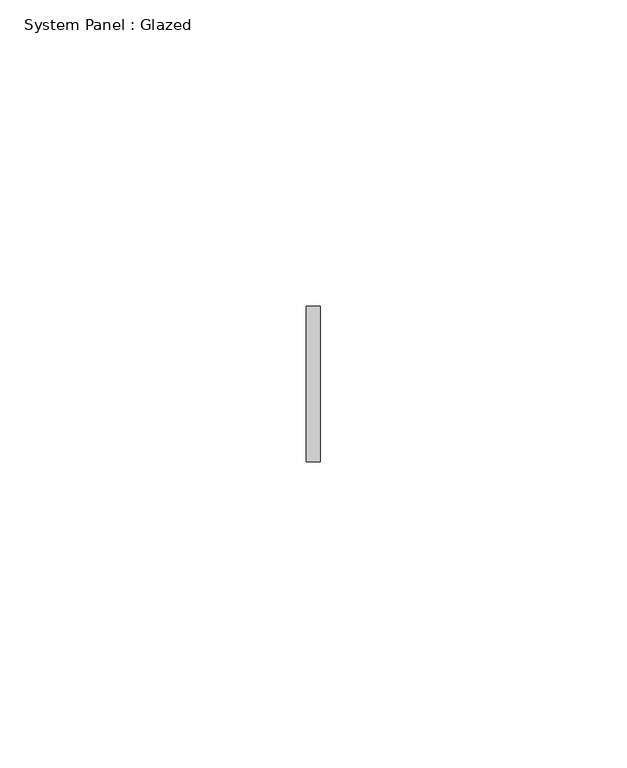
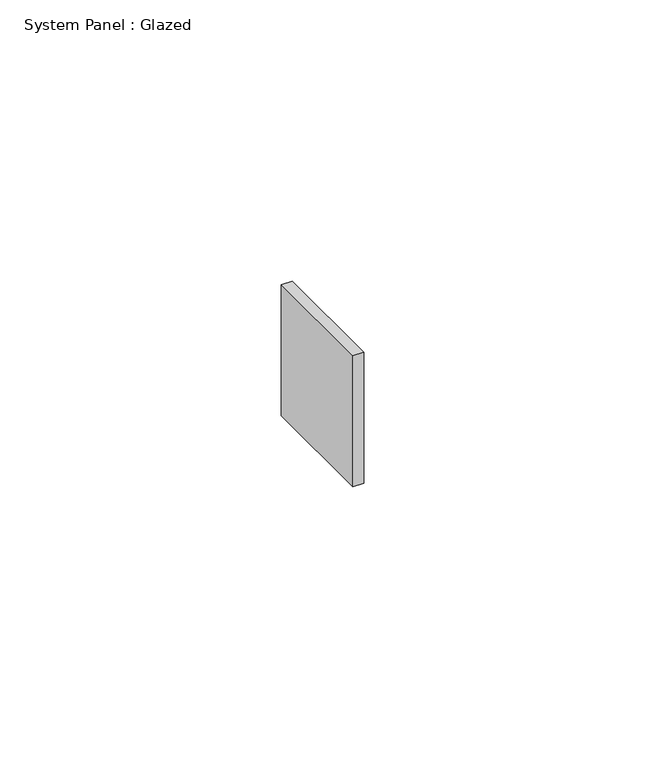
"""IFC4 building model written with IfcOpenShell, lengths in millimetres: plate geometry, System Panel : Glazed."""

import ifcopenshell
import ifcopenshell.guid

model = None  # the IFC model being written
_history = None  # IfcOwnerHistory: only IFC2X3 demands one
_inside = {}  # id of a spatial element -> (the spatial element, [elements in it])
_under = {}  # id of a project, library or spatial element -> (it, [spatial elements below it])
_declared = {}  # id of a project -> (the project, [libraries it declares])
_typed = {}  # id of a type object -> (the type object, [elements of that type])
_made_of = {}  # id of a material, layer set ... -> (it, [elements and type objects made of it])


def new_model(schema):
    """Start an empty IFC model of exactly this schema.

    Asked for "IFC4X3", IfcOpenShell would pick the latest addendum, in which some entities
    have other attributes; the version numbers below select the first issue.
    IFC2X3 requires an IfcOwnerHistory on every rooted entity: one is made here for all.
    """
    global model, _history
    if schema == "IFC4X3":
        model = ifcopenshell.file(schema_version=(4, 3, 0, 0))
    else:
        model = ifcopenshell.file(schema=schema)
    _inside.clear()
    _under.clear()
    _declared.clear()
    _typed.clear()
    _made_of.clear()
    _history = None
    if model.schema == "IFC2X3":
        org = make("IfcOrganization", Name="unknown")
        user = make(
            "IfcPersonAndOrganization",
            ThePerson=make("IfcPerson", FamilyName="unknown"),
            TheOrganization=org,
        )
        app = make(
            "IfcApplication",
            ApplicationDeveloper=org,
            Version="unknown",
            ApplicationFullName="unknown",
            ApplicationIdentifier="unknown",
        )
        _history = make(
            "IfcOwnerHistory",
            OwningUser=user,
            OwningApplication=app,
            ChangeAction="ADDED",
            CreationDate=0,
        )
    return model


def make(cls, **values):
    """One entity of the class cls with the attributes given. An attribute that is None is left unset."""
    return model.create_entity(
        cls, **{name: value for name, value in values.items() if value is not None}
    )


def rooted(cls, **values):
    """An entity with a GlobalId (a new one), such as an element, a storey or a relation."""
    return make(cls, GlobalId=ifcopenshell.guid.new(), OwnerHistory=_history, **values)


def si_unit(unit_type, name, prefix=None):
    """IfcSIUnit, for example si_unit("LENGTHUNIT", "METRE", prefix="MILLI")."""
    return make("IfcSIUnit", UnitType=unit_type, Prefix=prefix, Name=name)


def assignment(units):
    """IfcUnitAssignment: the units of a project."""
    return None if units is None else make("IfcUnitAssignment", Units=units)


def point(xyz):
    """IfcCartesianPoint."""
    return None if xyz is None else make("IfcCartesianPoint", Coordinates=xyz)


def direction(xyz):
    """IfcDirection."""
    return None if xyz is None else make("IfcDirection", DirectionRatios=xyz)


def frame(location, z_axis=None, x_axis=None):
    """IfcAxis2Placement3D, a coordinate frame: its origin and axes. An axis left out is left unset."""
    return make(
        "IfcAxis2Placement3D",
        Location=point(location),
        Axis=direction(z_axis),
        RefDirection=direction(x_axis),
    )


def origin():
    """The frame at (0, 0, 0) with its axes left unset."""
    return frame((0.0, 0.0, 0.0))


def origin_with_axes():
    """The frame at (0, 0, 0) with the z axis (0, 0, 1) and the x axis (1, 0, 0) written out."""
    return frame((0.0, 0.0, 0.0), z_axis=(0.0, 0.0, 1.0), x_axis=(1.0, 0.0, 0.0))


def place(relative_to, where):
    """IfcLocalPlacement: puts the frame where relative to a parent placement (None: the world)."""
    return make(
        "IfcLocalPlacement", PlacementRelTo=relative_to, RelativePlacement=where
    )


def context(
    kind, dimensions, precision=None, world=None, true_north=None, identifier=None
):
    """IfcGeometricRepresentationContext, for example the 3D "Model" context."""
    return make(
        "IfcGeometricRepresentationContext",
        ContextIdentifier=identifier,
        ContextType=kind,
        CoordinateSpaceDimension=dimensions,
        Precision=precision,
        WorldCoordinateSystem=world,
        TrueNorth=true_north,
    )


def project(units=None, contexts=None):
    """IfcProject with its units and contexts."""
    return rooted(
        "IfcProject",
        Name="project",
        RepresentationContexts=contexts,
        UnitsInContext=assignment(units),
    )


def spatial(cls, under=None, at=None, **own):
    """A site, building, storey or space (cls), placed at a placement, below another one or the project."""
    s = rooted(cls, ObjectPlacement=at, **own)
    if under is not None:
        _under.setdefault(under.id(), (under, []))[1].append(s)
    return s


def polyline(points):
    """IfcPolyline through the points."""
    return make("IfcPolyline", Points=[point(p) for p in points])


def outline(outer, holes=None, kind="AREA"):
    """IfcArbitraryClosedProfileDef: a profile drawn as a closed curve; with holes, ...WithVoids."""
    if holes is None:
        return make("IfcArbitraryClosedProfileDef", ProfileType=kind, OuterCurve=outer)
    return make(
        "IfcArbitraryProfileDefWithVoids",
        ProfileType=kind,
        OuterCurve=outer,
        InnerCurves=holes,
    )


def extrude(swept, where, along, depth):
    """IfcExtrudedAreaSolid: the profile swept, set in the frame where, extruded along a direction by depth."""
    return make(
        "IfcExtrudedAreaSolid",
        SweptArea=swept,
        Position=where,
        ExtrudedDirection=direction(along),
        Depth=depth,
    )


def shape(context_of_items, identifier, shape_type, items):
    """IfcShapeRepresentation: the items that make up one representation, for example the "Body"."""
    return make(
        "IfcShapeRepresentation",
        ContextOfItems=context_of_items,
        RepresentationIdentifier=identifier,
        RepresentationType=shape_type,
        Items=items,
    )


def source(mapping_origin, context_of_items, identifier, shape_type, items):
    """IfcRepresentationMap: a shape defined once, which mapped items show again and again."""
    return make(
        "IfcRepresentationMap",
        MappingOrigin=mapping_origin,
        MappedRepresentation=shape(context_of_items, identifier, shape_type, items),
    )


def transform(
    local_origin,
    x_axis=None,
    y_axis=None,
    z_axis=None,
    scale=None,
    scale2=None,
    scale3=None,
    uniform=True,
):
    """IfcCartesianTransformationOperator3D, or its non-uniform kind. x_axis, y_axis, z_axis: its Axis1, 2, 3."""
    if uniform:
        return make(
            "IfcCartesianTransformationOperator3D",
            Axis1=direction(x_axis),
            Axis2=direction(y_axis),
            LocalOrigin=point(local_origin),
            Scale=scale,
            Axis3=direction(z_axis),
        )
    return make(
        "IfcCartesianTransformationOperator3DnonUniform",
        Axis1=direction(x_axis),
        Axis2=direction(y_axis),
        LocalOrigin=point(local_origin),
        Scale=scale,
        Axis3=direction(z_axis),
        Scale2=scale2,
        Scale3=scale3,
    )


def mapped(mapping_source, mapping_target):
    """IfcMappedItem: shows the shape of a source again, moved by a transform."""
    return make(
        "IfcMappedItem", MappingSource=mapping_source, MappingTarget=mapping_target
    )


def made_of(thing, what):
    """Note that an element or type object is made of a material, layer set ...; save() writes the relation."""
    if what is not None:
        _made_of.setdefault(what.id(), (what, []))[1].append(thing)
    return thing


def element(
    cls,
    number,
    at=None,
    inside=None,
    cuts=None,
    type_object=None,
    material=None,
    context=None,
    identifier="Body",
    shape_type=None,
    held_by="IfcProductDefinitionShape",
    body=None,
    shapes=None,
    **own,
):
    """One element of the class cls, such as IfcWall. Its Tag is "e" and its number.

    at: its placement. inside: the storey or other place that contains it. cuts: it is an
    opening in that element (IfcRelVoidsElement). A single representation is given by context,
    identifier, shape_type and body (its items); several are given by shapes. held_by: the class
    of the entity that holds the representations. save() writes the other relations.
    """
    e = rooted(cls, Tag="e%d" % number, ObjectPlacement=at, **own)
    if body is not None:
        shapes = [shape(context, identifier, shape_type, body)]
    if shapes is not None:
        e.Representation = make(held_by, Representations=shapes)
    if inside is not None:
        _inside.setdefault(inside.id(), (inside, []))[1].append(e)
    if cuts is not None:
        rooted(
            "IfcRelVoidsElement", RelatingBuildingElement=cuts, RelatedOpeningElement=e
        )
    if type_object is not None:
        _typed.setdefault(type_object.id(), (type_object, []))[1].append(e)
    return made_of(e, material)


def aggregate(whole, parts):
    """IfcRelAggregates: a whole, such as a stair, and the parts it consists of."""
    return rooted("IfcRelAggregates", RelatingObject=whole, RelatedObjects=parts)


def save(model, path):
    """Write the relations noted so far, then the file.

    IfcRelAggregates (storeys below a building ...), IfcRelContainedInSpatialStructure (elements
    in a storey), IfcRelDefinesByType, IfcRelAssociatesMaterial and IfcRelDeclares: one each for
    every whole, place, type object, material and project.
    """
    for whole, parts in _under.values():
        aggregate(whole, parts)
    for where, things in _inside.values():
        rooted(
            "IfcRelContainedInSpatialStructure",
            RelatedElements=things,
            RelatingStructure=where,
        )
    for kind, things in _typed.values():
        rooted("IfcRelDefinesByType", RelatedObjects=things, RelatingType=kind)
    for what, things in _made_of.values():
        rooted("IfcRelAssociatesMaterial", RelatedObjects=things, RelatingMaterial=what)
    for by, libraries in _declared.values():
        rooted("IfcRelDeclares", RelatingContext=by, RelatedDefinitions=libraries)
    model.write(path)


def system_panel_glazed_ac59d883(model_context):
    return source(origin(), model_context, "Body", "SweptSolid", [
        extrude(outline(polyline([(1.1528174, 19.05), (-1.1528174, 19.05), (-1.1528174, 44.45), (1.1528174, 44.45), (1.1528174, 19.05)])), origin_with_axes(), (0.0, 0.0, 1.0), 28.4555957),
    ])


if __name__ == "__main__":
    model = new_model("IFC4")
    model_context = context("Model", 3, world=origin())
    ifc_project = project(units=[si_unit("LENGTHUNIT", "METRE", prefix="MILLI")], contexts=[model_context])
    site = spatial("IfcSite", under=ifc_project)
    building = spatial("IfcBuilding", under=site)
    placement = place(None, origin())
    system_panel_glazed_shape = system_panel_glazed_ac59d883(model_context)
    element("IfcPlate", 1, ObjectType="System Panel : Glazed", at=placement, inside=building, context=model_context, shape_type="MappedRepresentation", body=[
        mapped(system_panel_glazed_shape, transform((0.0, 0.0, 0.0), x_axis=(1.0, 0.0, 0.0), y_axis=(0.0, 1.0, 0.0), z_axis=(0.0, 0.0, 1.0))),
    ])
    save(model, "model.ifc")
